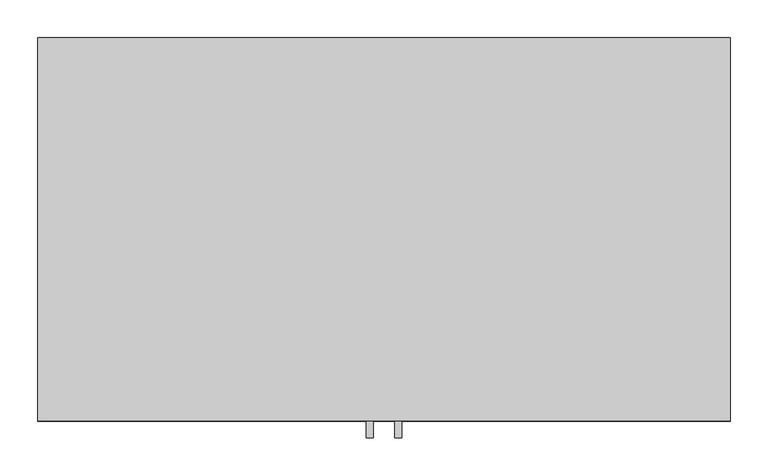
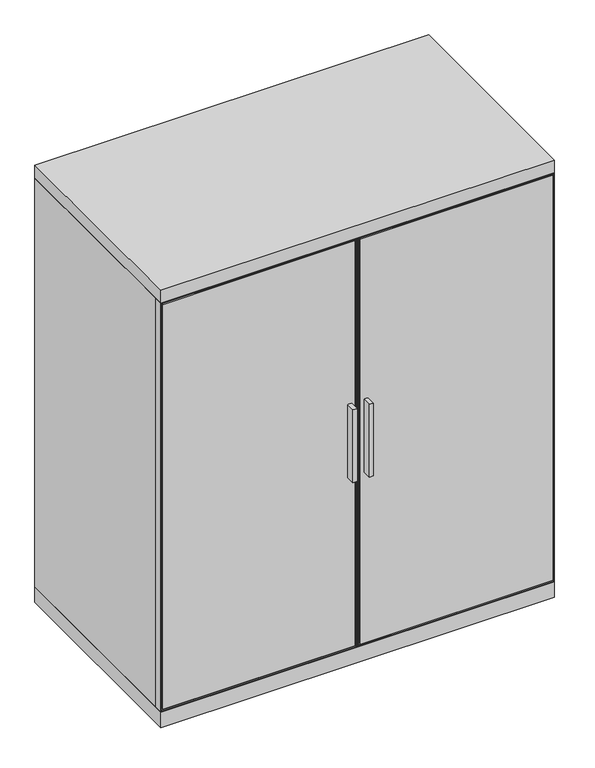
"""IFC4 building model written with IfcOpenShell, lengths in millimetres: furniture geometry."""

from ifc_helpers import new_model, si_unit, frame, origin, origin_with_axes, place, context, project, spatial, polyline, outline, extrude, faceted_brep, source, transform, mapped, element, save


def furniture_79c2a332(model_context):
    return source(origin(), model_context, "Body", "SolidModel", [
        extrude(outline(polyline([(-451.0405, -249.2375), (-6.1595, -249.2375), (-6.1595, -252.4125), (-451.0405, -252.4125), (-451.0405, -249.2375)])), frame((0.0, 0.0, 42.672), z_axis=(0.0, 0.0, 1.0), x_axis=(1.0, 0.0, 0.0)), (0.0, 0.0, 1.0), 990.981),
        extrude(outline(polyline([(6.1595, -249.2375), (451.0405, -249.2375), (451.0405, -252.4125), (6.1595, -252.4125), (6.1595, -249.2375)])), frame((0.0, 0.0, 42.672), z_axis=(0.0, 0.0, 1.0), x_axis=(1.0, 0.0, 0.0)), (0.0, 0.0, 1.0), 990.981),
        faceted_brep([(-1.5875, -231.7623, 1038.225), (-1.5875, -231.7623, 38.1), (-455.6125, -231.7623, 38.1), (-455.6125, -231.7623, 1038.225), (-46.5455, -231.7623, 993.267), (-410.6545, -231.7623, 993.267), (-410.6545, -231.7623, 83.058), (-46.5455, -231.7623, 83.058), (-1.5875, -252.4125, 1038.225), (-455.6125, -252.4125, 1038.225), (-455.6125, -252.4125, 38.1), (-1.5875, -252.4125, 38.1), (-454.0885, -252.4125, 1036.701), (-3.1115, -252.4125, 1036.701), (-3.1115, -252.4125, 39.624), (-454.0885, -252.4125, 39.624), (-46.5455, -249.2375, 83.058), (-46.5455, -249.2375, 993.267), (-410.6545, -249.2375, 83.058), (-410.6545, -249.2375, 993.267), (-3.1115, -249.2375, 1036.701), (-454.0885, -249.2375, 1036.701), (-454.0885, -249.2375, 39.624), (-3.1115, -249.2375, 39.624)], [[[0, 1, 2, 3], [4, 5, 6, 7]], [[8, 9, 10, 11], [12, 13, 14, 15]], [[0, 3, 9, 8]], [[3, 2, 10, 9]], [[2, 1, 11, 10]], [[1, 0, 8, 11]], [[4, 7, 16, 17]], [[7, 6, 18, 16]], [[6, 5, 19, 18]], [[5, 4, 17, 19]], [[20, 21, 22, 23], [17, 16, 18, 19]], [[21, 20, 13, 12]], [[22, 21, 12, 15]], [[23, 22, 15, 14]], [[20, 23, 14, 13]]]),
        faceted_brep([(455.6125, -231.7623, 38.1), (1.5875, -231.7623, 38.1), (1.5875, -231.7623, 1038.225), (455.6125, -231.7623, 1038.225), (410.6545, -231.7623, 993.267), (46.5455, -231.7623, 993.267), (46.5455, -231.7623, 83.058), (410.6545, -231.7623, 83.058), (455.6125, -252.4125, 38.1), (455.6125, -252.4125, 1038.225), (1.5875, -252.4125, 1038.225), (1.5875, -252.4125, 38.1), (3.1115, -252.4125, 1036.701), (454.0885, -252.4125, 1036.701), (454.0885, -252.4125, 39.624), (3.1115, -252.4125, 39.624), (410.6545, -249.2375, 83.058), (410.6545, -249.2375, 993.267), (46.5455, -249.2375, 83.058), (46.5455, -249.2375, 993.267), (454.0885, -249.2375, 1036.701), (3.1115, -249.2375, 1036.701), (3.1115, -249.2375, 39.624), (454.0885, -249.2375, 39.624)], [[[0, 1, 2, 3], [4, 5, 6, 7]], [[8, 9, 10, 11], [12, 13, 14, 15]], [[0, 3, 9, 8]], [[3, 2, 10, 9]], [[2, 1, 11, 10]], [[1, 0, 8, 11]], [[4, 7, 16, 17]], [[7, 6, 18, 16]], [[6, 5, 19, 18]], [[5, 4, 17, 19]], [[20, 21, 22, 23], [17, 16, 18, 19]], [[21, 20, 13, 12]], [[22, 21, 12, 15]], [[23, 22, 15, 14]], [[20, 23, 14, 13]]]),
        faceted_brep([(-455.6125, 252.4125, 1038.225), (-455.6125, -231.7623, 1038.225), (-433.3875, -231.7623, 1038.225), (433.3875, -231.7623, 1038.225), (455.6125, -231.7623, 1038.225), (455.6125, 252.4125, 1038.225), (433.3875, 252.4125, 1038.225), (-433.3875, 252.4125, 1038.225), (455.6125, 252.4125, 38.1), (455.6125, -231.7623, 38.1), (433.3875, -231.7623, 38.1), (-433.3875, -231.7623, 38.1), (-455.6125, -231.7623, 38.1), (-455.6125, 252.4125, 38.1), (-433.3875, 252.4125, 38.1), (433.3875, 252.4125, 38.1)], [[[0, 1, 2, 3, 4, 5, 6, 7]], [[8, 9, 10, 11, 12, 13, 14, 15]], [[5, 8, 15, 14, 13, 0, 7, 6]], [[1, 0, 13, 12]], [[1, 12, 11, 10, 9, 4, 3, 2]], [[5, 4, 9, 8]]]),
        extrude(outline(polyline([(-455.6125, 252.4125), (455.6125, 252.4125), (455.6125, -252.4125), (-455.6125, -252.4125), (-455.6125, 252.4125)])), origin_with_axes(), (0.0, 0.0, 1.0), 38.1),
        extrude(outline(polyline([(-455.6125, 252.4125), (455.6125, 252.4125), (455.6125, -252.4125), (-455.6125, -252.4125), (-455.6125, 252.4125)])), frame((0.0, 0.0, 1038.225), z_axis=(0.0, 0.0, 1.0), x_axis=(1.0, 0.0, 0.0)), (0.0, 0.0, 1.0), 31.75),
        extrude(outline(polyline([(-23.6982, -252.4125), (-14.1732, -252.4125), (-14.1732, -274.6375), (-23.6982, -274.6375), (-23.6982, -252.4125)])), frame((0.0, 0.0, 461.9625), z_axis=(0.0, 0.0, 1.0), x_axis=(1.0, 0.0, 0.0)), (0.0, 0.0, 1.0), 177.8),
        extrude(outline(polyline([(14.1732, -252.4125), (23.6982, -252.4125), (23.6982, -274.6375), (14.1732, -274.6375), (14.1732, -252.4125)])), frame((0.0, 0.0, 461.9625), z_axis=(0.0, 0.0, 1.0), x_axis=(1.0, 0.0, 0.0)), (0.0, 0.0, 1.0), 177.8),
    ])


if __name__ == "__main__":
    model = new_model("IFC4")
    model_context = context("Model", 3, world=origin())
    ifc_project = project(units=[si_unit("LENGTHUNIT", "METRE", prefix="MILLI")], contexts=[model_context])
    site = spatial("IfcSite", under=ifc_project)
    building = spatial("IfcBuilding", under=site)
    placement = place(None, origin())
    furniture_shape = furniture_79c2a332(model_context)
    element("IfcFurniture", 1, at=placement, inside=building, context=model_context, shape_type="MappedRepresentation", body=[
        mapped(furniture_shape, transform((0.0, 0.0, 0.0), x_axis=(1.0, 0.0, 0.0), y_axis=(0.0, 1.0, 0.0), z_axis=(0.0, 0.0, 1.0))),
    ])
    save(model, "model.ifc")
